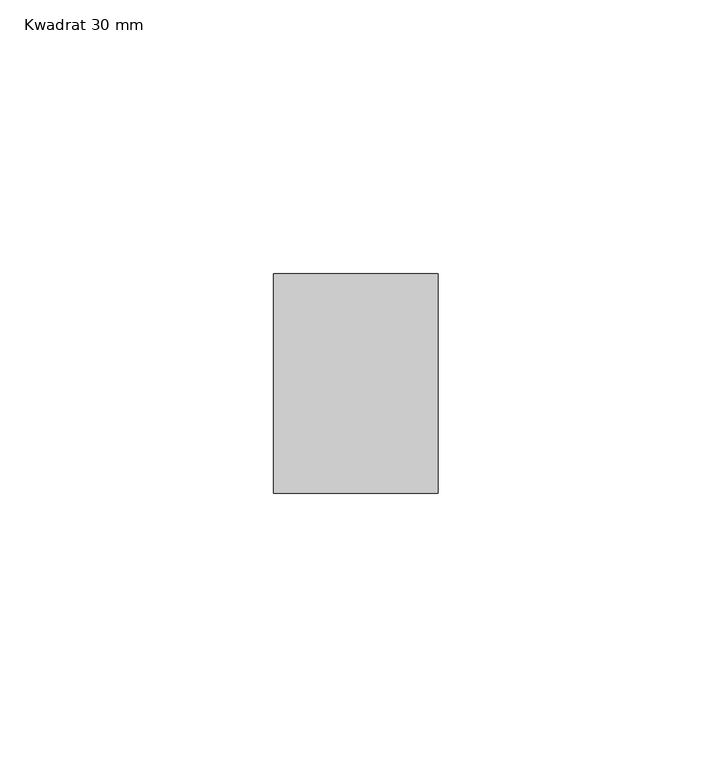
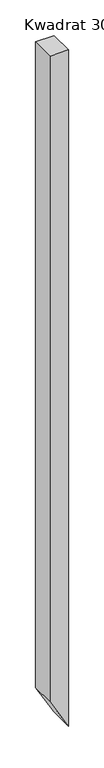
"""IFC4 building model written with IfcOpenShell, lengths in millimetres: member geometry, Kwadrat 30 mm."""

from ifc_helpers import new_model, si_unit, frame, origin, place, context, project, spatial, polyline, outline, extrude, source, transform, mapped, element, save


def kwadrat_30_mm_9e6a34bf(model_context):
    return source(origin(), model_context, "Body", "SweptSolid", [
        extrude(outline(polyline([(0.0, 0.0), (0.0, -30.0), (-1102.7390142, -30.0), (-1154.7005384, 0.0), (0.0, 0.0)])), frame((0.0, -20.0, 0.0), z_axis=(0.0, 1.0, 0.0), x_axis=(0.0, 0.0, 1.0)), (0.0, 0.0, 1.0), 40.0),
    ])


if __name__ == "__main__":
    model = new_model("IFC4")
    model_context = context("Model", 3, world=origin())
    ifc_project = project(units=[si_unit("LENGTHUNIT", "METRE", prefix="MILLI")], contexts=[model_context])
    site = spatial("IfcSite", under=ifc_project)
    building = spatial("IfcBuilding", under=site)
    placement = place(None, origin())
    kwadrat_30_mm_shape = kwadrat_30_mm_9e6a34bf(model_context)
    element("IfcMember", 1, ObjectType="Kwadrat 30 mm", at=placement, inside=building, context=model_context, shape_type="MappedRepresentation", body=[
        mapped(kwadrat_30_mm_shape, transform((0.0, 0.0, 0.0), x_axis=(1.0, 0.0, 0.0), y_axis=(0.0, 1.0, 0.0), z_axis=(0.0, 0.0, 1.0))),
    ])
    save(model, "model.ifc")
